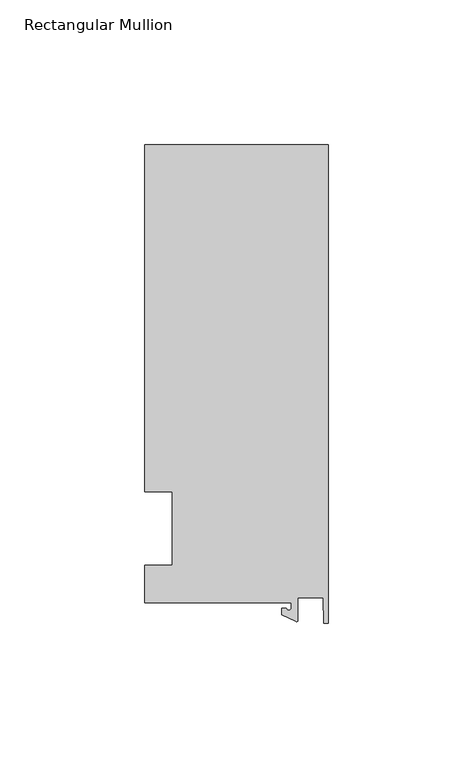
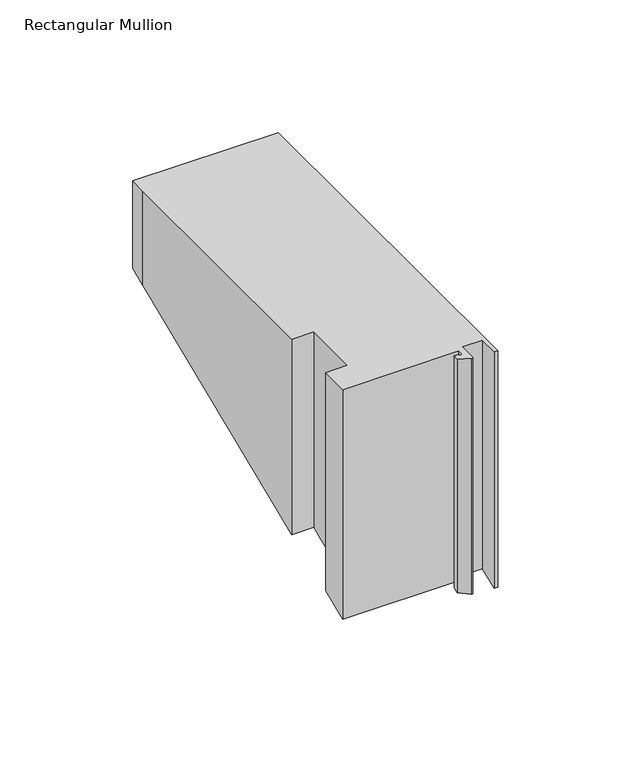
"""IFC4 building model written with IfcOpenShell, lengths in millimetres: member geometry, Rectangular Mullion."""

import ifcopenshell
import ifcopenshell.guid

model = None  # the IFC model being written
_history = None  # IfcOwnerHistory: only IFC2X3 demands one
_inside = {}  # id of a spatial element -> (the spatial element, [elements in it])
_under = {}  # id of a project, library or spatial element -> (it, [spatial elements below it])
_declared = {}  # id of a project -> (the project, [libraries it declares])
_typed = {}  # id of a type object -> (the type object, [elements of that type])
_made_of = {}  # id of a material, layer set ... -> (it, [elements and type objects made of it])


def new_model(schema):
    """Start an empty IFC model of exactly this schema.

    Asked for "IFC4X3", IfcOpenShell would pick the latest addendum, in which some entities
    have other attributes; the version numbers below select the first issue.
    IFC2X3 requires an IfcOwnerHistory on every rooted entity: one is made here for all.
    """
    global model, _history
    if schema == "IFC4X3":
        model = ifcopenshell.file(schema_version=(4, 3, 0, 0))
    else:
        model = ifcopenshell.file(schema=schema)
    _inside.clear()
    _under.clear()
    _declared.clear()
    _typed.clear()
    _made_of.clear()
    _history = None
    if model.schema == "IFC2X3":
        org = make("IfcOrganization", Name="unknown")
        user = make(
            "IfcPersonAndOrganization",
            ThePerson=make("IfcPerson", FamilyName="unknown"),
            TheOrganization=org,
        )
        app = make(
            "IfcApplication",
            ApplicationDeveloper=org,
            Version="unknown",
            ApplicationFullName="unknown",
            ApplicationIdentifier="unknown",
        )
        _history = make(
            "IfcOwnerHistory",
            OwningUser=user,
            OwningApplication=app,
            ChangeAction="ADDED",
            CreationDate=0,
        )
    return model


def make(cls, **values):
    """One entity of the class cls with the attributes given. An attribute that is None is left unset."""
    return model.create_entity(
        cls, **{name: value for name, value in values.items() if value is not None}
    )


def rooted(cls, **values):
    """An entity with a GlobalId (a new one), such as an element, a storey or a relation."""
    return make(cls, GlobalId=ifcopenshell.guid.new(), OwnerHistory=_history, **values)


def si_unit(unit_type, name, prefix=None):
    """IfcSIUnit, for example si_unit("LENGTHUNIT", "METRE", prefix="MILLI")."""
    return make("IfcSIUnit", UnitType=unit_type, Prefix=prefix, Name=name)


def assignment(units):
    """IfcUnitAssignment: the units of a project."""
    return None if units is None else make("IfcUnitAssignment", Units=units)


def point(xyz):
    """IfcCartesianPoint."""
    return None if xyz is None else make("IfcCartesianPoint", Coordinates=xyz)


def direction(xyz):
    """IfcDirection."""
    return None if xyz is None else make("IfcDirection", DirectionRatios=xyz)


def frame(location, z_axis=None, x_axis=None):
    """IfcAxis2Placement3D, a coordinate frame: its origin and axes. An axis left out is left unset."""
    return make(
        "IfcAxis2Placement3D",
        Location=point(location),
        Axis=direction(z_axis),
        RefDirection=direction(x_axis),
    )


def origin():
    """The frame at (0, 0, 0) with its axes left unset."""
    return frame((0.0, 0.0, 0.0))


def place(relative_to, where):
    """IfcLocalPlacement: puts the frame where relative to a parent placement (None: the world)."""
    return make(
        "IfcLocalPlacement", PlacementRelTo=relative_to, RelativePlacement=where
    )


def context(
    kind, dimensions, precision=None, world=None, true_north=None, identifier=None
):
    """IfcGeometricRepresentationContext, for example the 3D "Model" context."""
    return make(
        "IfcGeometricRepresentationContext",
        ContextIdentifier=identifier,
        ContextType=kind,
        CoordinateSpaceDimension=dimensions,
        Precision=precision,
        WorldCoordinateSystem=world,
        TrueNorth=true_north,
    )


def project(units=None, contexts=None):
    """IfcProject with its units and contexts."""
    return rooted(
        "IfcProject",
        Name="project",
        RepresentationContexts=contexts,
        UnitsInContext=assignment(units),
    )


def spatial(cls, under=None, at=None, **own):
    """A site, building, storey or space (cls), placed at a placement, below another one or the project."""
    s = rooted(cls, ObjectPlacement=at, **own)
    if under is not None:
        _under.setdefault(under.id(), (under, []))[1].append(s)
    return s


def polyline(points):
    """IfcPolyline through the points."""
    return make("IfcPolyline", Points=[point(p) for p in points])


def circle_curve(where, radius):
    """IfcCircle in the frame where."""
    return make("IfcCircle", Position=where, Radius=radius)


def ellipse_curve(where, semi_axis1, semi_axis2):
    """IfcEllipse in the frame where."""
    return make(
        "IfcEllipse", Position=where, SemiAxis1=semi_axis1, SemiAxis2=semi_axis2
    )


def shape(context_of_items, identifier, shape_type, items):
    """IfcShapeRepresentation: the items that make up one representation, for example the "Body"."""
    return make(
        "IfcShapeRepresentation",
        ContextOfItems=context_of_items,
        RepresentationIdentifier=identifier,
        RepresentationType=shape_type,
        Items=items,
    )


def source(mapping_origin, context_of_items, identifier, shape_type, items):
    """IfcRepresentationMap: a shape defined once, which mapped items show again and again."""
    return make(
        "IfcRepresentationMap",
        MappingOrigin=mapping_origin,
        MappedRepresentation=shape(context_of_items, identifier, shape_type, items),
    )


def transform(
    local_origin,
    x_axis=None,
    y_axis=None,
    z_axis=None,
    scale=None,
    scale2=None,
    scale3=None,
    uniform=True,
):
    """IfcCartesianTransformationOperator3D, or its non-uniform kind. x_axis, y_axis, z_axis: its Axis1, 2, 3."""
    if uniform:
        return make(
            "IfcCartesianTransformationOperator3D",
            Axis1=direction(x_axis),
            Axis2=direction(y_axis),
            LocalOrigin=point(local_origin),
            Scale=scale,
            Axis3=direction(z_axis),
        )
    return make(
        "IfcCartesianTransformationOperator3DnonUniform",
        Axis1=direction(x_axis),
        Axis2=direction(y_axis),
        LocalOrigin=point(local_origin),
        Scale=scale,
        Axis3=direction(z_axis),
        Scale2=scale2,
        Scale3=scale3,
    )


def mapped(mapping_source, mapping_target):
    """IfcMappedItem: shows the shape of a source again, moved by a transform."""
    return make(
        "IfcMappedItem", MappingSource=mapping_source, MappingTarget=mapping_target
    )


def made_of(thing, what):
    """Note that an element or type object is made of a material, layer set ...; save() writes the relation."""
    if what is not None:
        _made_of.setdefault(what.id(), (what, []))[1].append(thing)
    return thing


def element(
    cls,
    number,
    at=None,
    inside=None,
    cuts=None,
    type_object=None,
    material=None,
    context=None,
    identifier="Body",
    shape_type=None,
    held_by="IfcProductDefinitionShape",
    body=None,
    shapes=None,
    **own,
):
    """One element of the class cls, such as IfcWall. Its Tag is "e" and its number.

    at: its placement. inside: the storey or other place that contains it. cuts: it is an
    opening in that element (IfcRelVoidsElement). A single representation is given by context,
    identifier, shape_type and body (its items); several are given by shapes. held_by: the class
    of the entity that holds the representations. save() writes the other relations.
    """
    e = rooted(cls, Tag="e%d" % number, ObjectPlacement=at, **own)
    if body is not None:
        shapes = [shape(context, identifier, shape_type, body)]
    if shapes is not None:
        e.Representation = make(held_by, Representations=shapes)
    if inside is not None:
        _inside.setdefault(inside.id(), (inside, []))[1].append(e)
    if cuts is not None:
        rooted(
            "IfcRelVoidsElement", RelatingBuildingElement=cuts, RelatedOpeningElement=e
        )
    if type_object is not None:
        _typed.setdefault(type_object.id(), (type_object, []))[1].append(e)
    return made_of(e, material)


def aggregate(whole, parts):
    """IfcRelAggregates: a whole, such as a stair, and the parts it consists of."""
    return rooted("IfcRelAggregates", RelatingObject=whole, RelatedObjects=parts)


def save(model, path):
    """Write the relations noted so far, then the file.

    IfcRelAggregates (storeys below a building ...), IfcRelContainedInSpatialStructure (elements
    in a storey), IfcRelDefinesByType, IfcRelAssociatesMaterial and IfcRelDeclares: one each for
    every whole, place, type object, material and project.
    """
    for whole, parts in _under.values():
        aggregate(whole, parts)
    for where, things in _inside.values():
        rooted(
            "IfcRelContainedInSpatialStructure",
            RelatedElements=things,
            RelatingStructure=where,
        )
    for kind, things in _typed.values():
        rooted("IfcRelDefinesByType", RelatedObjects=things, RelatingType=kind)
    for what, things in _made_of.values():
        rooted("IfcRelAssociatesMaterial", RelatedObjects=things, RelatingMaterial=what)
    for by, libraries in _declared.values():
        rooted("IfcRelDeclares", RelatingContext=by, RelatedDefinitions=libraries)
    model.write(path)


def plane_surface(at):
    """IfcPlane: the flat surface through the origin of the frame at, square to its z axis."""
    return make("IfcPlane", Position=at)


def cylinder_surface(at, radius):
    """IfcCylindricalSurface: all points at the distance radius from the z axis of the frame at."""
    return make("IfcCylindricalSurface", Position=at, Radius=radius)


def revolved_surface(curve, axis_point, axis_direction):
    """IfcSurfaceOfRevolution: the curve turned about the line through axis_point along axis_direction."""
    return make(
        "IfcSurfaceOfRevolution",
        SweptCurve=make("IfcArbitraryOpenProfileDef", ProfileType="CURVE", Curve=curve),
        AxisPosition=make("IfcAxis1Placement", Location=point(axis_point), Axis=direction(axis_direction)),
    )


def advanced_brep(points, edges, surfaces, faces):
    """IfcAdvancedBrep: a solid bounded by faces that lie on surfaces and meet in shared edges.

    An edge is (start, end): straight between two places in points (the first is 0);
    or (start, end, curve); or (start, end, curve, False) where it runs against its curve.
    A face is (place in surfaces, loops), or (place, loops, False) where it looks against
    its surface's normal. A loop lists edges by number (the first is 1), with a minus sign
    where the edge is run from its end to its start. The first loop is the outer one.
    """
    corners = [point(p) for p in points]
    vertices = [make("IfcVertexPoint", VertexGeometry=c) for c in corners]
    made = []
    for start, end, *more in edges:
        made.append(
            make(
                "IfcEdgeCurve",
                EdgeStart=vertices[start],
                EdgeEnd=vertices[end],
                EdgeGeometry=more[0] if more else make("IfcPolyline", Points=[corners[start], corners[end]]),
                SameSense=more[1] if len(more) > 1 else True,
            )
        )
    hull = []
    for where, loops, *sense in faces:
        bounds = []
        for j, loop in enumerate(loops):
            ring = [make("IfcOrientedEdge", EdgeElement=made[abs(k) - 1], Orientation=k > 0) for k in loop]
            bounds.append(
                make(
                    "IfcFaceOuterBound" if j == 0 else "IfcFaceBound",
                    Bound=make("IfcEdgeLoop", EdgeList=ring),
                    Orientation=True,
                )
            )
        hull.append(make("IfcAdvancedFace", Bounds=bounds, FaceSurface=surfaces[where], SameSense=sense[0] if sense else True))
    return make("IfcAdvancedBrep", Outer=make("IfcClosedShell", CfsFaces=hull))


def rectangular_mullion_e414b872(model_context):
    return source(origin(), model_context, "Body", "AdvancedBrep", [
        advanced_brep(
        [(-12.8216721, -25.5984375, 0.0), (-12.8216721, -27.5208534, 0.0), (-14.4091721, -27.5208534, 0.0), (-15.9966721, -27.5208534, 0.0), (-15.9966721, -29.8830527, 0.0), (-11.1567622, -32.1399398, 0.0), (-10.4340721, -31.6795354, 0.0), (-10.4340721, -23.9227662, 0.0), (-1.7144124, -23.9227662, 0.0), (-1.5566453, -32.810012, 0.0), (0.0, -32.810012, 0.0), (0.0, 132.822512, 0.0), (-63.5, 132.822512, 0.0), (-63.5, 125.075512, 0.0), (-63.5, 12.7, 0.0), (-53.975, 12.7, 0.0), (-53.975, -12.7, 0.0), (-63.5, -12.7, 0.0), (-63.5, -25.5984375, 0.0), (-12.8216721, -25.5984375, -105.85322), (-12.8216721, -27.5208534, -106.6495107), (-14.4091721, -27.5208534, -106.6495107), (-15.9966721, -27.5208534, -106.6495107), (-15.9966721, -29.8830527, -107.6279657), (-11.1567622, -32.1399398, -108.562799), (-10.4340721, -31.6795354, -108.3720932), (-10.4340721, -23.9227662, -105.1591342), (-1.7144124, -23.9227662, -105.1591342), (-1.5566453, -32.810012, -108.8403519), (0.0, -32.810012, -108.8403519), (0.0, 132.822512, -40.2331141), (-63.5, 132.822512, -40.2331141), (-63.5, 125.075512, -43.4420266), (-63.5, 12.7, -89.9894878), (-53.975, 12.7, -89.9894878), (-53.975, -12.7, -100.5105122), (-63.5, -12.7, -100.5105122), (-63.5, -25.5984375, -105.85322)],
        [
            (0, 1),
            (1, 2, circle_curve(frame((-13.6154221, -27.5208534, 0.0), z_axis=(0.0, 0.0, -1.0), x_axis=(-1.0, 0.0, 0.0)), 0.79375)),
            (2, 3),
            (3, 4),
            (4, 5),
            (5, 6, circle_curve(frame((-10.9420721, -31.6795354, 0.0), z_axis=(0.0, 0.0, 1.0), x_axis=(-1.0, 0.0, 0.0)), 0.508)),
            (6, 7),
            (7, 8),
            (8, 9),
            (9, 10),
            (10, 11),
            (11, 12),
            (12, 13),
            (13, 14),
            (14, 15),
            (15, 16),
            (16, 17),
            (17, 18),
            (18, 0),
            (0, 19),
            (19, 20),
            (20, 1),
            (20, 21, ellipse_curve(frame((-13.6154221, -27.5208534, -106.6495107), z_axis=(0.0, 0.3826834323650906, -0.9238795325112864), x_axis=(0.0, -0.9238795325112864, -0.3826834323650908)), 0.8591488, 0.79375)),
            (21, 2),
            (21, 22),
            (22, 3),
            (22, 23),
            (23, 4),
            (23, 24),
            (24, 5),
            (24, 25, ellipse_curve(frame((-10.9420721, -31.6795354, -108.3720932), z_axis=(0.0, -0.3826834323650906, 0.9238795325112864), x_axis=(0.0, 0.9238795325112864, 0.3826834323650908)), 0.5498552, 0.508)),
            (25, 6),
            (25, 26),
            (26, 7),
            (26, 27),
            (27, 8),
            (27, 28),
            (28, 9),
            (28, 29),
            (29, 10),
            (29, 30),
            (30, 11),
            (30, 31),
            (31, 12),
            (13, 32),
            (32, 33),
            (33, 14),
            (33, 34),
            (34, 15),
            (34, 35),
            (35, 16),
            (35, 36),
            (36, 17),
            (36, 37),
            (37, 18),
            (37, 19),
            (32, 31),
        ],
        [
            plane_surface(frame((0.0, -147.2211591, 0.0), z_axis=(0.0, 0.0, 1.0), x_axis=(-1.0, 0.0, 0.0))),
            plane_surface(frame((-12.8216721, -25.5984375, 0.0), z_axis=(-1.0, 0.0, 0.0), x_axis=(0.0, 0.0, -1.0))),
            revolved_surface(polyline([(-14.4091721, -27.5208534, -106.97829271169634), (-14.4091721, -27.5208534, 0.0)]), (-13.6154221, -27.5208534, 0.0), (0.0, 0.0, -1.0)),
            plane_surface(frame((-14.4091721, -27.5208534, 0.0), z_axis=(0.0, 1.0, 0.0), x_axis=(0.0, 0.0, -1.0))),
            plane_surface(frame((-15.9966721, -27.5208534, 0.0), z_axis=(-1.0, 0.0, 0.0), x_axis=(0.0, 0.0, -1.0))),
            plane_surface(frame((-15.9966721, -29.8830527, 0.0), z_axis=(-0.4226182617406985, -0.9063077870366505, 0.0), x_axis=(0.0, 0.0, -1.0))),
            cylinder_surface(frame((-10.9420721, -31.6795354, 0.0), z_axis=(0.0, 0.0, 1.0), x_axis=(-1.0, 0.0, 0.0)), 0.508),
            plane_surface(frame((-10.4340721, -31.6795354, 0.0), z_axis=(1.0, 0.0, 0.0), x_axis=(0.0, 0.0, -1.0))),
            plane_surface(frame((-10.4340721, -23.9227662, 0.0), z_axis=(0.0, -1.0, 0.0), x_axis=(0.0, 0.0, -1.0))),
            plane_surface(frame((-1.7144124, -23.9227662, 0.0), z_axis=(-0.9998424690407919, -0.017749284560600327, 0.0), x_axis=(0.0, 0.0, -1.0))),
            plane_surface(frame((-1.5566453, -32.810012, 0.0), z_axis=(0.0, -1.0, 0.0), x_axis=(0.0, 0.0, -1.0))),
            plane_surface(frame((0.0, -32.810012, 0.0), z_axis=(1.0, 0.0, 0.0), x_axis=(0.0, 0.0, -1.0))),
            plane_surface(frame((0.0, 132.822512, 0.0), z_axis=(0.0, 1.0, 0.0), x_axis=(0.0, 0.0, -1.0))),
            plane_surface(frame((-63.5, 125.075512, 0.0), z_axis=(-1.0, 0.0, 0.0), x_axis=(0.0, 0.0, -1.0))),
            plane_surface(frame((-63.5, 12.7, 0.0), z_axis=(0.0, -1.0, 0.0), x_axis=(0.0, 0.0, -1.0))),
            plane_surface(frame((-53.975, 12.7, 0.0), z_axis=(-1.0, 0.0, 0.0), x_axis=(0.0, 0.0, -1.0))),
            plane_surface(frame((-53.975, -12.7, 0.0), z_axis=(0.0, 1.0, 0.0), x_axis=(0.0, 0.0, -1.0))),
            plane_surface(frame((-63.5, -12.7, 0.0), z_axis=(-1.0, 0.0, 0.0), x_axis=(0.0, 0.0, -1.0))),
            plane_surface(frame((-63.5, -25.5984375, 0.0), z_axis=(0.0, -1.0, 0.0), x_axis=(0.0, 0.0, -1.0))),
            plane_surface(frame((-304.8, 0.0, -95.25), z_axis=(0.0, 0.3826834323650906, -0.9238795325112864), x_axis=(0.0, 0.9238795325112864, 0.3826834323650906))),
            plane_surface(frame((-63.5, 132.822512, 0.0), z_axis=(-1.0, 0.0, 0.0), x_axis=(0.0, 0.0, -1.0))),
        ],
        [
            (0, [[1, 2, 3, 4, 5, 6, 7, 8, 9, 10, 11, 12, 13, 14, 15, 16, 17, 18, 19]]),
            (1, [[-1, 20, 21, 22]]),
            (2, [[-2, -22, 23, 24]]),
            (3, [[-3, -24, 25, 26]]),
            (4, [[-4, -26, 27, 28]]),
            (5, [[-5, -28, 29, 30]]),
            (6, [[-6, -30, 31, 32]]),
            (7, [[-7, -32, 33, 34]]),
            (8, [[-8, -34, 35, 36]]),
            (9, [[-9, -36, 37, 38]]),
            (10, [[-10, -38, 39, 40]]),
            (11, [[-11, -40, 41, 42]]),
            (12, [[-12, -42, 43, 44]]),
            (13, [[-14, 45, 46, 47]]),
            (14, [[-15, -47, 48, 49]]),
            (15, [[-16, -49, 50, 51]]),
            (16, [[-17, -51, 52, 53]]),
            (17, [[-18, -53, 54, 55]]),
            (18, [[-19, -55, 56, -20]]),
            (19, [[-56, -54, -52, -50, -48, -46, 57, -43, -41, -39, -37, -35, -33, -31, -29, -27, -25, -23, -21]]),
            (20, [[-13, -44, -57, -45]]),
        ],
    ),
    ])


if __name__ == "__main__":
    model = new_model("IFC4")
    model_context = context("Model", 3, world=origin())
    ifc_project = project(units=[si_unit("LENGTHUNIT", "METRE", prefix="MILLI")], contexts=[model_context])
    site = spatial("IfcSite", under=ifc_project)
    building = spatial("IfcBuilding", under=site)
    placement = place(None, origin())
    rectangular_mullion_shape = rectangular_mullion_e414b872(model_context)
    element("IfcMember", 1, ObjectType="Rectangular Mullion", at=placement, inside=building, context=model_context, shape_type="MappedRepresentation", body=[
        mapped(rectangular_mullion_shape, transform((0.0, 0.0, 0.0), x_axis=(1.0, 0.0, 0.0), y_axis=(0.0, 1.0, 0.0), z_axis=(0.0, 0.0, 1.0))),
    ])
    save(model, "model.ifc")
